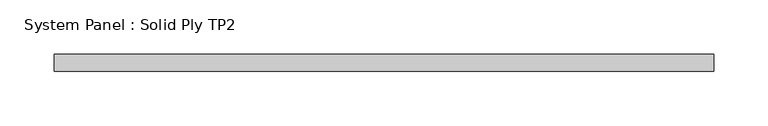
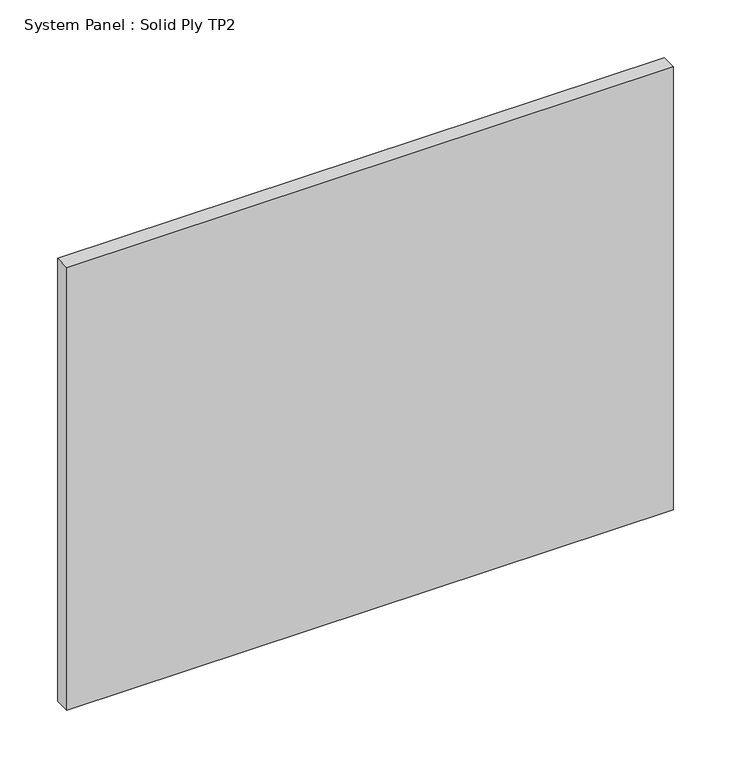
"""IFC4 building model written with IfcOpenShell, lengths in millimetres: plate geometry, System Panel : Solid Ply TP2."""

from ifc_helpers import new_model, si_unit, origin, origin_with_axes, place, context, project, spatial, polyline, outline, extrude, source, transform, mapped, element, save


def system_panel_solid_ply_tp2_4d01fbc9(model_context):
    return source(origin(), model_context, "Body", "SweptSolid", [
        extrude(outline(polyline([(304.5000002, -23.0), (-304.5000002, -23.0), (-304.5000002, -7.0), (304.5000002, -7.0), (304.5000002, -23.0)])), origin_with_axes(), (0.0, 0.0, 1.0), 470.0),
    ])


if __name__ == "__main__":
    model = new_model("IFC4")
    model_context = context("Model", 3, world=origin())
    ifc_project = project(units=[si_unit("LENGTHUNIT", "METRE", prefix="MILLI")], contexts=[model_context])
    site = spatial("IfcSite", under=ifc_project)
    building = spatial("IfcBuilding", under=site)
    placement = place(None, origin())
    system_panel_solid_ply_tp2_shape = system_panel_solid_ply_tp2_4d01fbc9(model_context)
    element("IfcPlate", 1, ObjectType="System Panel : Solid Ply TP2", at=placement, inside=building, context=model_context, shape_type="MappedRepresentation", body=[
        mapped(system_panel_solid_ply_tp2_shape, transform((0.0, 0.0, 0.0), x_axis=(1.0, 0.0, 0.0), y_axis=(0.0, 1.0, 0.0), z_axis=(0.0, 0.0, 1.0))),
    ])
    save(model, "model.ifc")
